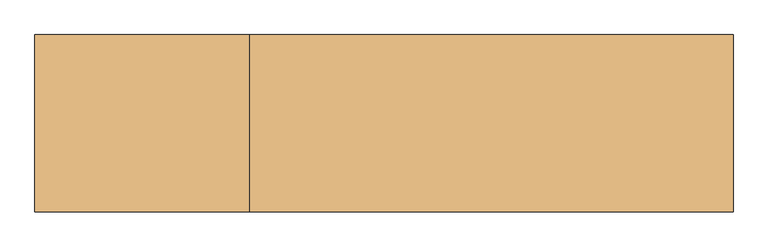
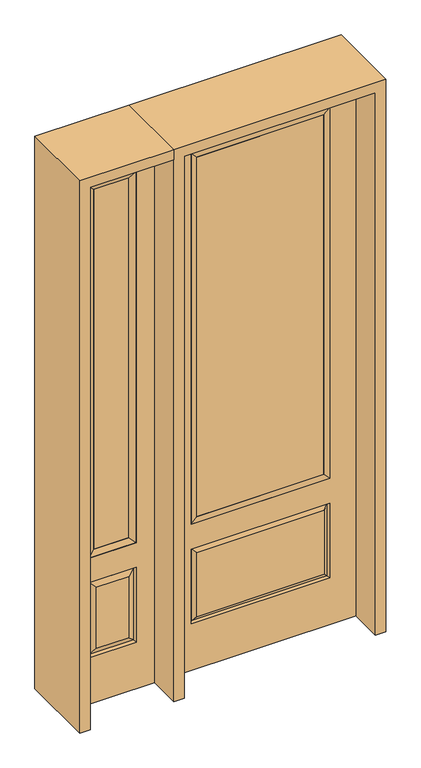
"""IFC4 building model written with IfcOpenShell, lengths in millimetres: door geometry."""

from ifc_helpers import new_model, si_unit, frame, origin, place, context, project, spatial, polyline, outline, extrude, faceted_brep, source, transform, mapped, element, save


def door_c3354be9(model_context):
    return source(origin(), model_context, "Body", "SolidModel", [
        faceted_brep([(-806.45, -22.225, 0.0), (-450.85, -22.225, 0.0), (-450.85, -22.225, 2438.4), (-806.45, -22.225, 2438.4), (-528.32, -22.225, 2325.624), (-528.32, -22.225, 657.098), (-728.98, -22.225, 657.098), (-728.98, -22.225, 2325.624), (-528.32, -22.225, 209.55), (-728.98, -22.225, 209.55), (-728.98, -22.225, 546.1), (-528.32, -22.225, 546.1), (-697.2648999, -22.225, 241.2651001), (-560.0351001, -22.225, 241.2651001), (-560.0351001, -22.225, 514.3848999), (-697.2648999, -22.225, 514.3848999), (-806.45, 22.225, 0.0), (-806.45, 22.225, 2438.4), (-450.85, 22.225, 2438.4), (-450.85, 22.225, 0.0), (-528.32, 22.225, 2325.624), (-728.98, 22.225, 2325.624), (-728.98, 22.225, 657.098), (-528.32, 22.225, 657.098), (-728.98, 22.225, 209.55), (-528.32, 22.225, 209.55), (-528.32, 22.225, 546.1), (-728.98, 22.225, 546.1), (-560.0351001, 22.225, 241.2651001), (-697.2648999, 22.225, 241.2651001), (-697.2648999, 22.225, 514.3848999), (-560.0351001, 22.225, 514.3848999), (-535.4288501, 12.7912373, 216.6588501), (-721.8711499, 12.7912373, 216.6588501), (-721.8711499, 12.7912373, 538.9911499), (-535.4288501, 12.7912373, 538.9911499), (-721.8711499, -12.7912373, 216.6588501), (-535.4288501, -12.7912373, 216.6588501), (-721.8711499, -12.7912373, 538.9911499), (-535.4288501, -12.7912373, 538.9911499)], [[[0, 1, 2, 3], [4, 5, 6, 7], [8, 9, 10, 11]], [[12, 13, 14, 15]], [[16, 17, 18, 19], [20, 21, 22, 23], [24, 25, 26, 27]], [[28, 29, 30, 31]], [[1, 0, 16, 19]], [[2, 1, 19, 18]], [[3, 2, 18, 17]], [[0, 3, 17, 16]], [[5, 4, 20, 23]], [[6, 5, 23, 22]], [[7, 6, 22, 21]], [[4, 7, 21, 20]], [[32, 33, 29, 28]], [[33, 32, 25, 24]], [[29, 33, 34, 30]], [[33, 24, 27, 34]], [[30, 34, 35, 31]], [[34, 27, 26, 35]], [[32, 28, 31, 35]], [[25, 32, 35, 26]], [[12, 36, 37, 13]], [[37, 36, 9, 8]], [[36, 12, 15, 38]], [[9, 36, 38, 10]], [[38, 15, 14, 39]], [[10, 38, 39, 11]], [[13, 37, 39, 14]], [[37, 8, 11, 39]]]),
        faceted_brep([(-728.98, 22.225, 2325.624), (-728.98, -22.225, 2325.624), (-528.32, -22.225, 2325.624), (-528.32, 22.225, 2325.624), (-703.58, 12.7, 2300.224), (-553.72, 12.7, 2300.224), (-703.58, -12.7, 2300.224), (-553.72, -12.7, 2300.224), (-528.32, -22.225, 657.098), (-528.32, 22.225, 657.098), (-553.72, 12.7, 682.498), (-553.72, -12.7, 682.498), (-728.98, -22.225, 657.098), (-728.98, 22.225, 657.098), (-703.58, 12.7, 682.498), (-703.58, -12.7, 682.498)], [[[0, 1, 2, 3]], [[4, 0, 3, 5]], [[6, 4, 5, 7]], [[1, 6, 7, 2]], [[3, 2, 8, 9]], [[5, 3, 9, 10]], [[7, 5, 10, 11]], [[2, 7, 11, 8]], [[9, 8, 12, 13]], [[10, 9, 13, 14]], [[11, 10, 14, 15]], [[8, 11, 15, 12]], [[13, 12, 1, 0]], [[14, 13, 0, 4]], [[15, 14, 4, 6]], [[12, 15, 6, 1]]]),
        extrude(outline(polyline([(-553.72, -12.7), (-703.58, -12.7), (-703.58, 12.7), (-553.72, 12.7), (-553.72, -12.7)])), frame((0.0, 0.0, 682.498), z_axis=(0.0, 0.0, 1.0), x_axis=(1.0, 0.0, 0.0)), (0.0, 0.0, 1.0), 1617.726),
        extrude(outline(polyline([(269.875, -20.32), (-269.875, -20.32), (-269.875, 5.08), (269.875, 5.08), (269.875, -20.32)])), frame((0.0, 0.0, 682.498), z_axis=(0.0, 0.0, 1.0), x_axis=(1.0, 0.0, 0.0)), (0.0, 0.0, 1.0), 1616.202),
        faceted_brep([(-288.1661499, -12.7912373, 216.6588501), (288.1661499, -12.7912373, 216.6588501), (270.66875, -22.225, 234.15625), (-270.66875, -22.225, 234.15625), (-295.275, -22.225, 209.55), (295.275, -22.225, 209.55), (-288.1661499, -12.7912373, 538.9911499), (-295.275, -22.225, 546.1), (270.66875, -22.225, 521.49375), (-270.66875, -22.225, 521.49375), (406.4, -22.225, 2438.4), (-406.4, -22.225, 2438.4), (-406.4, -22.225, 0.0), (406.4, -22.225, 0.0), (295.275, -22.225, 546.1), (295.275, -22.225, 2324.1), (295.275, -22.225, 657.098), (-295.275, -22.225, 657.098), (-295.275, -22.225, 2324.1), (288.1661499, -12.7912373, 538.9911499), (-406.4, 22.225, 2438.4), (-406.4, 22.225, 0.0), (406.4, 22.225, 0.0), (406.4, 22.225, 2438.4), (295.275, 22.225, 2324.1), (295.275, 22.225, 657.098), (-295.275, 22.225, 657.098), (-295.275, 22.225, 2324.1), (-295.275, 22.225, 209.55), (295.275, 22.225, 209.55), (295.275, 22.225, 546.1), (-295.275, 22.225, 546.1), (270.66875, 22.225, 234.15625), (-270.66875, 22.225, 234.15625), (-270.66875, 22.225, 521.49375), (270.66875, 22.225, 521.49375), (-288.1661499, 12.7912373, 216.6588501), (288.1661499, 12.7912373, 216.6588501), (288.1661499, 12.7912373, 538.9911499), (-288.1661499, 12.7912373, 538.9911499)], [[[0, 1, 2, 3]], [[1, 0, 4, 5]], [[4, 0, 6, 7]], [[3, 2, 8, 9]], [[10, 11, 12, 13], [5, 4, 7, 14], [15, 16, 17, 18]], [[1, 5, 14, 19]], [[2, 1, 19, 8]], [[0, 3, 9, 6]], [[7, 6, 19, 14]], [[6, 9, 8, 19]], [[12, 11, 20, 21]], [[13, 12, 21, 22]], [[10, 13, 22, 23]], [[16, 15, 24, 25]], [[17, 16, 25, 26]], [[18, 17, 26, 27]], [[23, 22, 21, 20], [28, 29, 30, 31], [24, 27, 26, 25]], [[32, 33, 34, 35]], [[28, 36, 37, 29]], [[29, 37, 38, 30]], [[39, 31, 30, 38]], [[36, 28, 31, 39]], [[37, 36, 33, 32]], [[33, 36, 39, 34]], [[34, 39, 38, 35]], [[37, 32, 35, 38]], [[11, 10, 23, 20]], [[15, 18, 27, 24]]]),
        faceted_brep([(-295.275, -22.225, 2324.1), (-295.275, 22.225, 2324.1), (-295.275, 22.225, 657.098), (-295.275, -22.225, 657.098), (295.275, 22.225, 657.098), (295.275, -22.225, 657.098), (-269.875, 5.08, 682.498), (269.875, 5.08, 682.498), (295.275, 22.225, 2324.1), (295.275, -22.225, 2324.1), (-269.875, -20.32, 682.498), (269.875, -20.32, 682.498), (-269.875, -20.32, 2298.7), (269.875, -20.32, 2298.7), (-269.875, 5.08, 2298.7), (269.875, 5.08, 2298.7)], [[[0, 1, 2, 3]], [[3, 2, 4, 5]], [[2, 6, 7, 4]], [[5, 4, 8, 9]], [[10, 3, 5, 11]], [[12, 0, 3, 10]], [[11, 5, 9, 13]], [[6, 10, 11, 7]], [[14, 12, 10, 6]], [[7, 11, 13, 15]], [[1, 14, 6, 2]], [[4, 7, 15, 8]], [[9, 8, 1, 0]], [[13, 9, 0, 12]], [[15, 13, 12, 14]], [[8, 15, 14, 1]]]),
        extrude(outline(polyline([(2438.4, -450.85), (2482.85, -450.85), (2482.85, -850.9), (0.0, -850.9), (0.0, -806.45), (2438.4, -806.45), (2438.4, -450.85)])), frame((0.0, -165.1, 0.0), z_axis=(0.0, 1.0, 0.0), x_axis=(0.0, 0.0, 1.0)), (0.0, 0.0, 1.0), 330.2),
        extrude(outline(polyline([(2482.85, -450.85), (0.0, -450.85), (0.0, -406.4), (2438.4, -406.4), (2438.4, 406.4), (0.0, 406.4), (0.0, 450.85), (2482.85, 450.85), (2482.85, -450.85)])), frame((0.0, -165.1, 0.0), z_axis=(0.0, 1.0, 0.0), x_axis=(0.0, 0.0, 1.0)), (0.0, 0.0, 1.0), 330.2),
    ])


if __name__ == "__main__":
    model = new_model("IFC4")
    model_context = context("Model", 3, world=origin())
    ifc_project = project(units=[si_unit("LENGTHUNIT", "METRE", prefix="MILLI")], contexts=[model_context])
    site = spatial("IfcSite", under=ifc_project)
    building = spatial("IfcBuilding", under=site)
    placement = place(None, origin())
    door_shape = door_c3354be9(model_context)
    element("IfcDoor", 1, at=placement, inside=building, context=model_context, shape_type="MappedRepresentation", body=[
        mapped(door_shape, transform((0.0, 0.0, 0.0), x_axis=(1.0, 0.0, 0.0), y_axis=(0.0, 1.0, 0.0), z_axis=(0.0, 0.0, 1.0))),
    ])
    save(model, "model.ifc")
